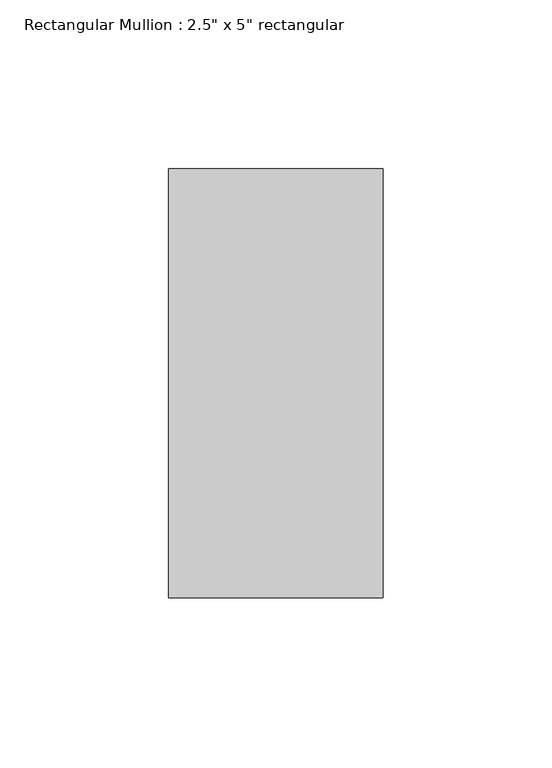
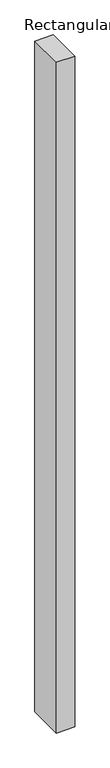
"""IFC4 building model written with IfcOpenShell, lengths in millimetres: member geometry."""

from ifc_helpers import new_model, si_unit, frame, origin, place, context, project, spatial, polyline, outline, extrude, source, transform, mapped, element, save


def member_d4be6869(model_context):
    return source(origin(), model_context, "Body", "SweptSolid", [
        extrude(outline(polyline([(31.75, 63.5), (31.75, -63.5), (-31.75, -63.5), (-31.75, 63.5), (31.75, 63.5)])), frame((0.0, 0.0, -2425.0532429), z_axis=(0.0, 0.0, 1.0), x_axis=(1.0, 0.0, 0.0)), (0.0, 0.0, 1.0), 2425.0532429),
    ])


if __name__ == "__main__":
    model = new_model("IFC4")
    model_context = context("Model", 3, world=origin())
    ifc_project = project(units=[si_unit("LENGTHUNIT", "METRE", prefix="MILLI")], contexts=[model_context])
    site = spatial("IfcSite", under=ifc_project)
    building = spatial("IfcBuilding", under=site)
    placement = place(None, origin())
    member_shape = member_d4be6869(model_context)
    element("IfcMember", 1, ObjectType="Rectangular Mullion : 2.5\" x 5\" rectangular", at=placement, inside=building, context=model_context, shape_type="MappedRepresentation", body=[
        mapped(member_shape, transform((0.0, 0.0, 0.0), x_axis=(1.0, 0.0, 0.0), y_axis=(0.0, 1.0, 0.0), z_axis=(0.0, 0.0, 1.0))),
    ])
    save(model, "model.ifc")
